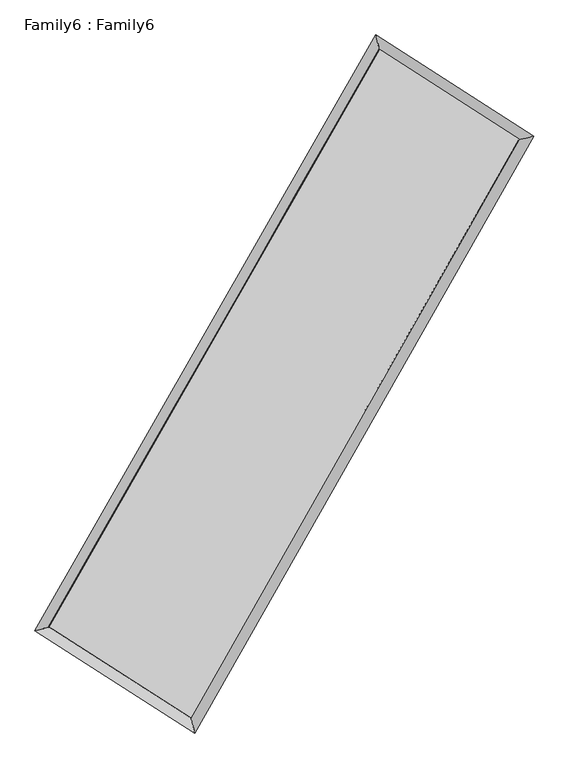
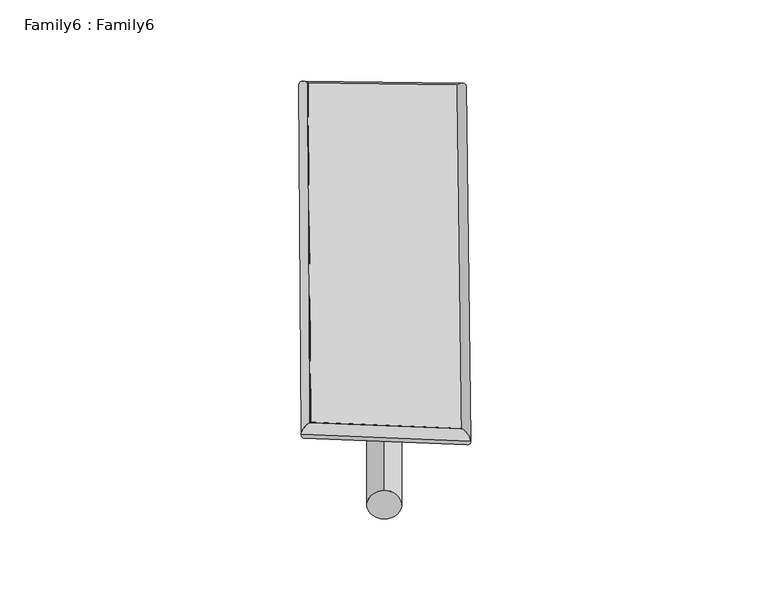
"""IFC4 building model written with IfcOpenShell, lengths in millimetres: plate geometry, Family6 : Family6."""

from ifc_helpers import new_model, si_unit, point, frame, origin, origin_2d, place, context, project, spatial, circle_curve, ellipse_curve, trimmed, segment, composite_curve, outline, extrude, source, transform, mapped, element, save
from ifc_brep_helpers import plane_surface, cylinder_surface, spline_surface, advanced_brep


def family6_family6_52edd429(model_context):
    return source(origin(), model_context, "Body", "SolidModel", [
        extrude(outline(composite_curve([segment(trimmed(circle_curve(origin_2d(), 76.2), [point((-75.4341514, -10.7763073))], [point((75.4341514, 10.7763073))], False, "CARTESIAN"), True, "CONTINUOUS"), segment(trimmed(circle_curve(origin_2d(), 76.2), [point((75.4341514, 10.7763073))], [point((-75.4341514, -10.7763073))], False, "CARTESIAN"), True, "CONTINUOUS")], self_intersect=False)), frame((9144.0, 9144.0, 0.0), z_axis=(0.6666485618796839, 0.6906656961953379, 0.2802866230178646), x_axis=(-0.6831365696677051, 0.716566756399475, -0.14091313212676942)), (0.0, 0.0, 1.0), 5514.4070249),
        extrude(outline(composite_curve([segment(trimmed(circle_curve(origin_2d(), 76.2), [point((-53.8815367, 53.8815368))], [point((53.8815367, -53.8815368))], False, "CARTESIAN"), True, "CONTINUOUS"), segment(trimmed(circle_curve(origin_2d(), 76.2), [point((53.8815367, -53.8815368))], [point((-53.8815367, 53.8815368))], False, "CARTESIAN"), True, "CONTINUOUS")], self_intersect=False)), frame((9144.0, 9144.0, 0.0), z_axis=(-0.669013585641043, -0.6884861166363174, 0.28001373078254255), x_axis=(0.6467231676464179, -0.3535675833788779, 0.6758247616157634)), (0.0, 0.0, 1.0), 5519.5033401),
        extrude(outline(composite_curve([segment(trimmed(circle_curve(origin_2d(), 76.2), [point((-53.8815367, -53.8815367))], [point((53.8815367, 53.8815367))], False, "CARTESIAN"), True, "CONTINUOUS"), segment(trimmed(circle_curve(origin_2d(), 76.2), [point((53.8815367, 53.8815367))], [point((-53.8815367, -53.8815367))], False, "CARTESIAN"), True, "CONTINUOUS")], self_intersect=False)), frame((9144.0, 9144.0, 0.0), z_axis=(0.26167356875993103, 0.9277096354435043, 0.2662363155501561), x_axis=(-0.8413647599035385, 0.35441789334274254, -0.40803590242888377)), (0.0, 0.0, 1.0), 5631.7199666),
        extrude(outline(composite_curve([segment(trimmed(circle_curve(origin_2d(), 76.2), [point((-75.4341514, 10.7763073))], [point((75.4341514, -10.7763073))], False, "CARTESIAN"), True, "CONTINUOUS"), segment(trimmed(circle_curve(origin_2d(), 76.2), [point((75.4341514, -10.7763073))], [point((-75.4341514, 10.7763073))], False, "CARTESIAN"), True, "CONTINUOUS")], self_intersect=False)), frame((9144.0, 9144.0, 0.0), z_axis=(-0.25882052400953953, -0.92854462947329, 0.2661142751295729), x_axis=(0.8839803597091572, -0.1166471413838377, 0.45273852062249803)), (0.0, 0.0, 1.0), 5635.4293627),
        advanced_brep(
        [(5247.2257679, 5293.9153682, 1541.9707017), (5247.1613941, 5293.8269738, 1549.9315353), (5655.528791, 5393.881791, 1549.102743), (10670.1784309, 14153.6835987, 1504.2895661), (10565.1660929, 14583.5181556, 1494.4471821), (5655.5931649, 5393.9701854, 1541.1419094), (12616.4184933, 12902.4437933, 1545.1550091), (13023.9245323, 13002.7797407, 1546.0740368), (7632.3255095, 4126.340493, 1500.556663), (7738.5449291, 3696.1641679, 1498.7797368)],
        [
            (0, 1, ellipse_curve(frame((5451.3772795, 5343.8985796, 1545.5367223), z_axis=(-0.23794670660781558, 0.9712377988725736, 0.008860183725667851), x_axis=(-0.9711220730727994, -0.23806211751169656, 0.01575904174229652)), 210.3132528, 152.4)),
            (1, 2, ellipse_curve(frame((5451.3772795, 5343.8985796, 1545.5367223), z_axis=(-0.23794670660781558, 0.9712377988725736, 0.008860183725667851), x_axis=(-0.9711220730727994, -0.23806211751169656, 0.01575904174229652)), 210.3132528, 152.4)),
            (2, 3),
            (3, 4, ellipse_curve(frame((10617.6722619, 14368.6008771, 1499.3683741), z_axis=(-0.9713339701050321, -0.237525151146705, -0.00959797336584832), x_axis=(0.2373664246485681, -0.9713006519315963, 0.015238897821417418)), 221.298923, 152.4)),
            (4, 0),
            (2, 5, ellipse_curve(frame((5451.3772795, 5343.8985796, 1545.5367223), z_axis=(-0.23794670660781558, 0.9712377988725736, 0.008860183725667851), x_axis=(-0.9711220730727994, -0.23806211751169656, 0.01575904174229652)), 210.3132528, 152.4)),
            (5, 0, ellipse_curve(frame((5451.3772795, 5343.8985796, 1545.5367223), z_axis=(-0.23794670660781558, 0.9712377988725736, 0.008860183725667851), x_axis=(-0.9711220730727994, -0.23806211751169656, 0.01575904174229652)), 210.3132528, 152.4)),
            (4, 3, ellipse_curve(frame((10617.6722619, 14368.6008771, 1499.3683741), z_axis=(-0.9713339701050321, -0.237525151146705, -0.00959797336584832), x_axis=(0.2373664246485681, -0.9713006519315963, 0.015238897821417418)), 221.298923, 152.4)),
            (3, 6),
            (6, 7, ellipse_curve(frame((12820.1715128, 12952.611767, 1545.614523), z_axis=(-0.2390498681398917, 0.9709644986394009, -0.009116080530422581), x_axis=(-0.9708446505781262, -0.23917111959660226, -0.016057396885663017)), 209.8569017, 152.4)),
            (7, 4),
            (7, 6, ellipse_curve(frame((12820.1715128, 12952.611767, 1545.614523), z_axis=(-0.2390498681398917, 0.9709644986394009, -0.009116080530422581), x_axis=(-0.9708446505781262, -0.23917111959660226, -0.016057396885663017)), 209.8569017, 152.4)),
            (6, 8),
            (8, 9, ellipse_curve(frame((7685.4352193, 3911.2523305, 1499.6681999), z_axis=(0.9707904248790178, 0.23974682613032025, -0.00934934883583401), x_axis=(-0.23959484154119723, 0.9707578962909202, 0.01494719691700385)), 221.5646358, 152.4)),
            (9, 7),
            (9, 8, ellipse_curve(frame((7685.4352193, 3911.2523305, 1499.6681999), z_axis=(0.9707904248790178, 0.23974682613032025, -0.00934934883583401), x_axis=(-0.23959484154119723, 0.9707578962909202, 0.01494719691700385)), 221.5646358, 152.4)),
            (8, 5),
            (1, 9),
        ],
        [
            cylinder_surface(frame((5451.3772795, 5343.8985796, 1545.5367223), z_axis=(-0.49680969167171846, -0.8678481544500103, 0.004439716067913586), x_axis=(-0.867586597213865, 0.4965186778299208, -0.027617003836305144)), 152.4),
            cylinder_surface(frame((10617.6722619, 14368.6008771, 1499.3683741), z_axis=(-0.8410305024942135, 0.5406994042677851, -0.017659221352977882), x_axis=(0.5409364921071421, 0.8409518696891733, -0.01369906467988543)), 152.4),
            cylinder_surface(frame((12820.1715128, 12952.611767, 1545.614523), z_axis=(0.4938301043740257, 0.869547181983778, 0.004418859356182317), x_axis=(0.8695576263941667, -0.49383010437402564, -0.0011672162104847618)), 152.4),
            cylinder_surface(frame((7685.4352193, 3911.2523305, 1499.6681999), z_axis=(0.8416579368999236, -0.539734473674125, -0.017280485556822756), x_axis=(-0.5395930791695039, -0.8418345763385012, 0.012403829785584065)), 152.4),
        ],
        [
            (0, [[1, 2, 3, 4, 5]]),
            (0, [[6, 7, -5, 8, -3]]),
            (1, [[-4, 9, 10, 11]]),
            (1, [[-8, -11, 12, -9]]),
            (2, [[-10, 13, 14, 15]]),
            (2, [[-12, -15, 16, -13]]),
            (3, [[-14, 17, -6, -2, 18]]),
            (3, [[-16, -18, -1, -7, -17]]),
        ],
    ),
        extrude(outline(composite_curve([segment(trimmed(circle_curve(origin_2d(), 304.8), [point((0.0, -304.8))], [point((0.0, 304.8))], False, "CARTESIAN"), True, "CONTINUOUS"), segment(trimmed(circle_curve(origin_2d(), 304.8), [point((0.0, 304.8))], [point((0.0, -304.8))], False, "CARTESIAN"), True, "CONTINUOUS")], self_intersect=False)), frame((6539.358253, 4630.9228191, -0.0112981), z_axis=(0.4998582800773391, 0.8661072103575996, 2.1682229996475613e-06), x_axis=(-0.8661072103601188, 0.4998582800773391, 5.807834691449861e-07)), (0.0, 0.0, 1.0), 10421.5208624),
        advanced_brep(
        [(5451.3772795, 5343.8985796, 1545.5367223), (7685.4352193, 3911.2523305, 1499.6681999), (7685.4423495, 3911.2502515, 1652.0681997), (5451.3844097, 5343.8965006, 1697.9367222), (12820.1715128, 12952.611767, 1545.614523), (12820.178643, 12952.6096879, 1698.0145228), (10617.6722619, 14368.6008771, 1499.3683741), (10617.6793921, 14368.5987981, 1651.7683739)],
        [
            (0, 1),
            (1, 2),
            (2, 3),
            (3, 0),
            (1, 4),
            (4, 5),
            (5, 2),
            (4, 6),
            (6, 7),
            (7, 5),
            (6, 0),
            (3, 7),
        ],
        [
            plane_surface(frame((6568.4062494, 4627.575455, 1522.6024611), z_axis=(-0.5398148777615857, -0.8417837593809755, 1.3772310763432785e-05), x_axis=(0.8416579368999233, -0.5397344736741256, -0.017280485556822742))),
            plane_surface(frame((10252.8033661, 8431.9320487, 1522.6413614), z_axis=(0.8695557741379915, -0.4938347430210122, -4.7419929036472686e-05), x_axis=(0.493830104374026, 0.8695471819837777, 0.004418859356182318))),
            plane_surface(frame((11718.9218873, 13660.606322, 1522.4914485), z_axis=(0.5407839373893768, 0.8411615379167552, -1.382613752213234e-05), x_axis=(-0.8410305024942131, 0.5406994042677854, -0.017659221352977886))),
            plane_surface(frame((8034.5247707, 9856.2497284, 1522.4525482), z_axis=(-0.8678566022037122, 0.4968147700767972, 4.7381084605925767e-05), x_axis=(-0.49680969167171884, -0.8678481544500098, 0.0044397160679135695))),
            spline_surface(1, 1, [[(7685.4423495, 3911.2502515, 1652.0681997), (5451.3844097, 5343.8965006, 1697.9367222)], [(12820.178643, 12952.6096879, 1698.0145228), (10617.6793921, 14368.5987981, 1651.7683739)]], [2, 2], [2, 2], [0.0, 1.0], [0.0, 1.0]),
            spline_surface(1, 1, [[(10617.6722619, 14368.6008771, 1499.3683741), (5451.3772795, 5343.8985796, 1545.5367223)], [(12820.1715128, 12952.611767, 1545.614523), (7685.4352193, 3911.2523305, 1499.6681999)]], [2, 2], [2, 2], [0.0, 1.0], [0.0, 1.0]),
        ],
        [
            (0, [[1, 2, 3, 4]]),
            (1, [[5, 6, 7, -2]]),
            (2, [[8, 9, 10, -6]]),
            (3, [[11, -4, 12, -9]]),
            (4, [[-3, -7, -10, -12]]),
            (5, [[-11, -8, -5, -1]]),
        ],
    ),
    ])


if __name__ == "__main__":
    model = new_model("IFC4")
    model_context = context("Model", 3, world=origin())
    ifc_project = project(units=[si_unit("LENGTHUNIT", "METRE", prefix="MILLI")], contexts=[model_context])
    site = spatial("IfcSite", under=ifc_project)
    building = spatial("IfcBuilding", under=site)
    placement = place(None, origin())
    family6_family6_shape = family6_family6_52edd429(model_context)
    element("IfcPlate", 1, ObjectType="Family6 : Family6", at=placement, inside=building, context=model_context, shape_type="MappedRepresentation", body=[
        mapped(family6_family6_shape, transform((0.0, 0.0, 0.0), x_axis=(1.0, 0.0, 0.0), y_axis=(0.0, 1.0, 0.0), z_axis=(0.0, 0.0, 1.0))),
    ])
    save(model, "model.ifc")
